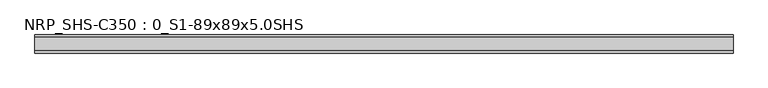
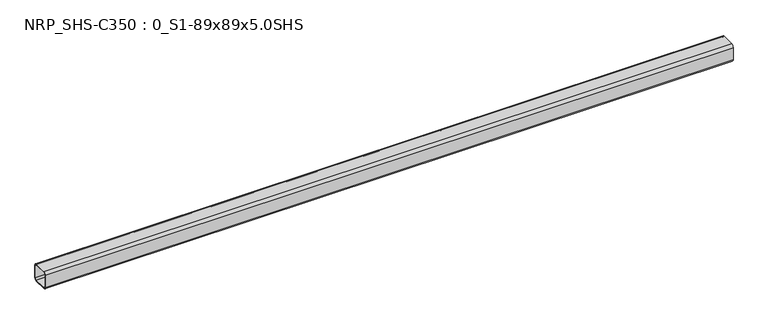
"""IFC4 building model written with IfcOpenShell, lengths in millimetres: beam geometry, NRP_SHS-C350 : 0_S1-89x89x5.0SHS."""

from ifc_helpers import new_model, si_unit, point, frame, frame_2d, origin, place, context, project, spatial, polyline, circle_curve, trimmed, segment, composite_curve, outline, extrude, source, transform, mapped, element, save


def nrp_shs_c350_0_s1_89x89x5_0shs_87ce70ec(model_context):
    return source(origin(), model_context, "Body", "SweptSolid", [
        extrude(outline(composite_curve([segment(trimmed(circle_curve(frame_2d((-32.0, 32.0)), 12.5), [point((-44.5, 32.0))], [point((-32.0, 44.5))], False, "CARTESIAN"), True, "CONTINUOUS"), segment(polyline([(-32.0, 44.5), (32.0, 44.5)]), True, "CONTINUOUS"), segment(trimmed(circle_curve(frame_2d((32.0, 32.0)), 12.5), [point((32.0, 44.5))], [point((44.5, 32.0))], False, "CARTESIAN"), True, "CONTINUOUS"), segment(polyline([(44.5, 32.0), (44.5, -32.0)]), True, "CONTINUOUS"), segment(trimmed(circle_curve(frame_2d((32.0, -32.0)), 12.5), [point((44.5, -32.0))], [point((32.0, -44.5))], False, "CARTESIAN"), True, "CONTINUOUS"), segment(polyline([(32.0, -44.5), (-32.0, -44.5)]), True, "CONTINUOUS"), segment(trimmed(circle_curve(frame_2d((-32.0, -32.0)), 12.5), [point((-32.0, -44.5))], [point((-44.5, -32.0))], False, "CARTESIAN"), True, "CONTINUOUS"), segment(polyline([(-44.5, -32.0), (-44.5, 32.0)]), True, "CONTINUOUS")], self_intersect=False), holes=[composite_curve([segment(polyline([(32.0, 39.5), (-32.0, 39.5)]), True, "CONTINUOUS"), segment(trimmed(circle_curve(frame_2d((-32.0, 32.0)), 7.5), [point((-32.0, 39.5))], [point((-39.5, 32.0))], True, "CARTESIAN"), True, "CONTINUOUS"), segment(polyline([(-39.5, 32.0), (-39.5, -32.0)]), True, "CONTINUOUS"), segment(trimmed(circle_curve(frame_2d((-32.0, -32.0)), 7.5), [point((-39.5, -32.0))], [point((-32.0, -39.5))], True, "CARTESIAN"), True, "CONTINUOUS"), segment(polyline([(-32.0, -39.5), (32.0, -39.5)]), True, "CONTINUOUS"), segment(trimmed(circle_curve(frame_2d((32.0, -32.0)), 7.5), [point((32.0, -39.5))], [point((39.5, -32.0))], True, "CARTESIAN"), True, "CONTINUOUS"), segment(polyline([(39.5, -32.0), (39.5, 32.0)]), True, "CONTINUOUS"), segment(trimmed(circle_curve(frame_2d((32.0, 32.0)), 7.5), [point((39.5, 32.0))], [point((32.0, 39.5))], True, "CARTESIAN"), True, "CONTINUOUS")], self_intersect=False)]), frame((-1699.5, 0.0, 0.0), z_axis=(1.0, 0.0, 0.0), x_axis=(0.0, 1.0, 0.0)), (0.0, 0.0, 1.0), 3422.0),
    ])


if __name__ == "__main__":
    model = new_model("IFC4")
    model_context = context("Model", 3, world=origin())
    ifc_project = project(units=[si_unit("LENGTHUNIT", "METRE", prefix="MILLI")], contexts=[model_context])
    site = spatial("IfcSite", under=ifc_project)
    building = spatial("IfcBuilding", under=site)
    placement = place(None, origin())
    nrp_shs_c350_0_s1_89x89x5_0shs_shape = nrp_shs_c350_0_s1_89x89x5_0shs_87ce70ec(model_context)
    element("IfcBeam", 1, ObjectType="NRP_SHS-C350 : 0_S1-89x89x5.0SHS", at=placement, inside=building, context=model_context, shape_type="MappedRepresentation", body=[
        mapped(nrp_shs_c350_0_s1_89x89x5_0shs_shape, transform((0.0, 0.0, 0.0), x_axis=(1.0, 0.0, 0.0), y_axis=(0.0, 1.0, 0.0), z_axis=(0.0, 0.0, 1.0))),
    ])
    save(model, "model.ifc")
